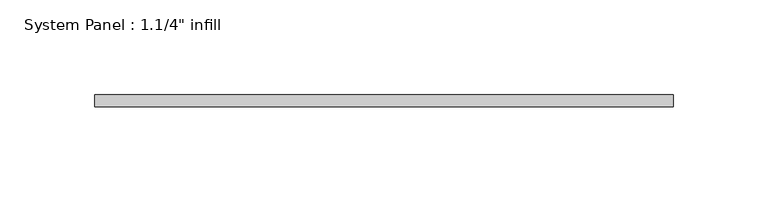
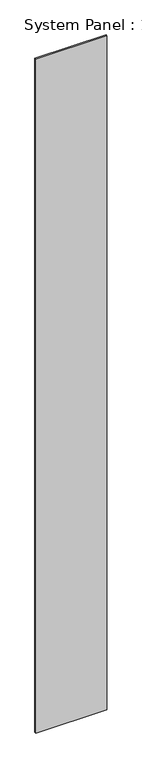
"""IFC4 building model written with IfcOpenShell, lengths in millimetres: plate geometry."""

import ifcopenshell
import ifcopenshell.guid

model = None  # the IFC model being written
_history = None  # IfcOwnerHistory: only IFC2X3 demands one
_inside = {}  # id of a spatial element -> (the spatial element, [elements in it])
_under = {}  # id of a project, library or spatial element -> (it, [spatial elements below it])
_declared = {}  # id of a project -> (the project, [libraries it declares])
_typed = {}  # id of a type object -> (the type object, [elements of that type])
_made_of = {}  # id of a material, layer set ... -> (it, [elements and type objects made of it])


def new_model(schema):
    """Start an empty IFC model of exactly this schema.

    Asked for "IFC4X3", IfcOpenShell would pick the latest addendum, in which some entities
    have other attributes; the version numbers below select the first issue.
    IFC2X3 requires an IfcOwnerHistory on every rooted entity: one is made here for all.
    """
    global model, _history
    if schema == "IFC4X3":
        model = ifcopenshell.file(schema_version=(4, 3, 0, 0))
    else:
        model = ifcopenshell.file(schema=schema)
    _inside.clear()
    _under.clear()
    _declared.clear()
    _typed.clear()
    _made_of.clear()
    _history = None
    if model.schema == "IFC2X3":
        org = make("IfcOrganization", Name="unknown")
        user = make(
            "IfcPersonAndOrganization",
            ThePerson=make("IfcPerson", FamilyName="unknown"),
            TheOrganization=org,
        )
        app = make(
            "IfcApplication",
            ApplicationDeveloper=org,
            Version="unknown",
            ApplicationFullName="unknown",
            ApplicationIdentifier="unknown",
        )
        _history = make(
            "IfcOwnerHistory",
            OwningUser=user,
            OwningApplication=app,
            ChangeAction="ADDED",
            CreationDate=0,
        )
    return model


def make(cls, **values):
    """One entity of the class cls with the attributes given. An attribute that is None is left unset."""
    return model.create_entity(
        cls, **{name: value for name, value in values.items() if value is not None}
    )


def rooted(cls, **values):
    """An entity with a GlobalId (a new one), such as an element, a storey or a relation."""
    return make(cls, GlobalId=ifcopenshell.guid.new(), OwnerHistory=_history, **values)


def si_unit(unit_type, name, prefix=None):
    """IfcSIUnit, for example si_unit("LENGTHUNIT", "METRE", prefix="MILLI")."""
    return make("IfcSIUnit", UnitType=unit_type, Prefix=prefix, Name=name)


def assignment(units):
    """IfcUnitAssignment: the units of a project."""
    return None if units is None else make("IfcUnitAssignment", Units=units)


def point(xyz):
    """IfcCartesianPoint."""
    return None if xyz is None else make("IfcCartesianPoint", Coordinates=xyz)


def direction(xyz):
    """IfcDirection."""
    return None if xyz is None else make("IfcDirection", DirectionRatios=xyz)


def frame(location, z_axis=None, x_axis=None):
    """IfcAxis2Placement3D, a coordinate frame: its origin and axes. An axis left out is left unset."""
    return make(
        "IfcAxis2Placement3D",
        Location=point(location),
        Axis=direction(z_axis),
        RefDirection=direction(x_axis),
    )


def origin():
    """The frame at (0, 0, 0) with its axes left unset."""
    return frame((0.0, 0.0, 0.0))


def origin_with_axes():
    """The frame at (0, 0, 0) with the z axis (0, 0, 1) and the x axis (1, 0, 0) written out."""
    return frame((0.0, 0.0, 0.0), z_axis=(0.0, 0.0, 1.0), x_axis=(1.0, 0.0, 0.0))


def place(relative_to, where):
    """IfcLocalPlacement: puts the frame where relative to a parent placement (None: the world)."""
    return make(
        "IfcLocalPlacement", PlacementRelTo=relative_to, RelativePlacement=where
    )


def context(
    kind, dimensions, precision=None, world=None, true_north=None, identifier=None
):
    """IfcGeometricRepresentationContext, for example the 3D "Model" context."""
    return make(
        "IfcGeometricRepresentationContext",
        ContextIdentifier=identifier,
        ContextType=kind,
        CoordinateSpaceDimension=dimensions,
        Precision=precision,
        WorldCoordinateSystem=world,
        TrueNorth=true_north,
    )


def project(units=None, contexts=None):
    """IfcProject with its units and contexts."""
    return rooted(
        "IfcProject",
        Name="project",
        RepresentationContexts=contexts,
        UnitsInContext=assignment(units),
    )


def spatial(cls, under=None, at=None, **own):
    """A site, building, storey or space (cls), placed at a placement, below another one or the project."""
    s = rooted(cls, ObjectPlacement=at, **own)
    if under is not None:
        _under.setdefault(under.id(), (under, []))[1].append(s)
    return s


def polyline(points):
    """IfcPolyline through the points."""
    return make("IfcPolyline", Points=[point(p) for p in points])


def outline(outer, holes=None, kind="AREA"):
    """IfcArbitraryClosedProfileDef: a profile drawn as a closed curve; with holes, ...WithVoids."""
    if holes is None:
        return make("IfcArbitraryClosedProfileDef", ProfileType=kind, OuterCurve=outer)
    return make(
        "IfcArbitraryProfileDefWithVoids",
        ProfileType=kind,
        OuterCurve=outer,
        InnerCurves=holes,
    )


def extrude(swept, where, along, depth):
    """IfcExtrudedAreaSolid: the profile swept, set in the frame where, extruded along a direction by depth."""
    return make(
        "IfcExtrudedAreaSolid",
        SweptArea=swept,
        Position=where,
        ExtrudedDirection=direction(along),
        Depth=depth,
    )


def shape(context_of_items, identifier, shape_type, items):
    """IfcShapeRepresentation: the items that make up one representation, for example the "Body"."""
    return make(
        "IfcShapeRepresentation",
        ContextOfItems=context_of_items,
        RepresentationIdentifier=identifier,
        RepresentationType=shape_type,
        Items=items,
    )


def source(mapping_origin, context_of_items, identifier, shape_type, items):
    """IfcRepresentationMap: a shape defined once, which mapped items show again and again."""
    return make(
        "IfcRepresentationMap",
        MappingOrigin=mapping_origin,
        MappedRepresentation=shape(context_of_items, identifier, shape_type, items),
    )


def transform(
    local_origin,
    x_axis=None,
    y_axis=None,
    z_axis=None,
    scale=None,
    scale2=None,
    scale3=None,
    uniform=True,
):
    """IfcCartesianTransformationOperator3D, or its non-uniform kind. x_axis, y_axis, z_axis: its Axis1, 2, 3."""
    if uniform:
        return make(
            "IfcCartesianTransformationOperator3D",
            Axis1=direction(x_axis),
            Axis2=direction(y_axis),
            LocalOrigin=point(local_origin),
            Scale=scale,
            Axis3=direction(z_axis),
        )
    return make(
        "IfcCartesianTransformationOperator3DnonUniform",
        Axis1=direction(x_axis),
        Axis2=direction(y_axis),
        LocalOrigin=point(local_origin),
        Scale=scale,
        Axis3=direction(z_axis),
        Scale2=scale2,
        Scale3=scale3,
    )


def mapped(mapping_source, mapping_target):
    """IfcMappedItem: shows the shape of a source again, moved by a transform."""
    return make(
        "IfcMappedItem", MappingSource=mapping_source, MappingTarget=mapping_target
    )


def made_of(thing, what):
    """Note that an element or type object is made of a material, layer set ...; save() writes the relation."""
    if what is not None:
        _made_of.setdefault(what.id(), (what, []))[1].append(thing)
    return thing


def element(
    cls,
    number,
    at=None,
    inside=None,
    cuts=None,
    type_object=None,
    material=None,
    context=None,
    identifier="Body",
    shape_type=None,
    held_by="IfcProductDefinitionShape",
    body=None,
    shapes=None,
    **own,
):
    """One element of the class cls, such as IfcWall. Its Tag is "e" and its number.

    at: its placement. inside: the storey or other place that contains it. cuts: it is an
    opening in that element (IfcRelVoidsElement). A single representation is given by context,
    identifier, shape_type and body (its items); several are given by shapes. held_by: the class
    of the entity that holds the representations. save() writes the other relations.
    """
    e = rooted(cls, Tag="e%d" % number, ObjectPlacement=at, **own)
    if body is not None:
        shapes = [shape(context, identifier, shape_type, body)]
    if shapes is not None:
        e.Representation = make(held_by, Representations=shapes)
    if inside is not None:
        _inside.setdefault(inside.id(), (inside, []))[1].append(e)
    if cuts is not None:
        rooted(
            "IfcRelVoidsElement", RelatingBuildingElement=cuts, RelatedOpeningElement=e
        )
    if type_object is not None:
        _typed.setdefault(type_object.id(), (type_object, []))[1].append(e)
    return made_of(e, material)


def aggregate(whole, parts):
    """IfcRelAggregates: a whole, such as a stair, and the parts it consists of."""
    return rooted("IfcRelAggregates", RelatingObject=whole, RelatedObjects=parts)


def save(model, path):
    """Write the relations noted so far, then the file.

    IfcRelAggregates (storeys below a building ...), IfcRelContainedInSpatialStructure (elements
    in a storey), IfcRelDefinesByType, IfcRelAssociatesMaterial and IfcRelDeclares: one each for
    every whole, place, type object, material and project.
    """
    for whole, parts in _under.values():
        aggregate(whole, parts)
    for where, things in _inside.values():
        rooted(
            "IfcRelContainedInSpatialStructure",
            RelatedElements=things,
            RelatingStructure=where,
        )
    for kind, things in _typed.values():
        rooted("IfcRelDefinesByType", RelatedObjects=things, RelatingType=kind)
    for what, things in _made_of.values():
        rooted("IfcRelAssociatesMaterial", RelatedObjects=things, RelatingMaterial=what)
    for by, libraries in _declared.values():
        rooted("IfcRelDeclares", RelatingContext=by, RelatedDefinitions=libraries)
    model.write(path)


def plate_843bb0c5(model_context):
    return source(origin(), model_context, "Body", "SweptSolid", [
        extrude(outline(polyline([(152.2660433, 0.0), (-152.2660433, 0.0), (-152.2660433, 6.35), (152.2660433, 6.35), (152.2660433, 0.0)])), origin_with_axes(), (0.0, 0.0, 1.0), 3048.0),
    ])


if __name__ == "__main__":
    model = new_model("IFC4")
    model_context = context("Model", 3, world=origin())
    ifc_project = project(units=[si_unit("LENGTHUNIT", "METRE", prefix="MILLI")], contexts=[model_context])
    site = spatial("IfcSite", under=ifc_project)
    building = spatial("IfcBuilding", under=site)
    placement = place(None, origin())
    plate_shape = plate_843bb0c5(model_context)
    element("IfcPlate", 1, ObjectType="System Panel : 1.1/4\" infill", at=placement, inside=building, context=model_context, shape_type="MappedRepresentation", body=[
        mapped(plate_shape, transform((0.0, 0.0, 0.0), x_axis=(1.0, 0.0, 0.0), y_axis=(0.0, 1.0, 0.0), z_axis=(0.0, 0.0, 1.0))),
    ])
    save(model, "model.ifc")
